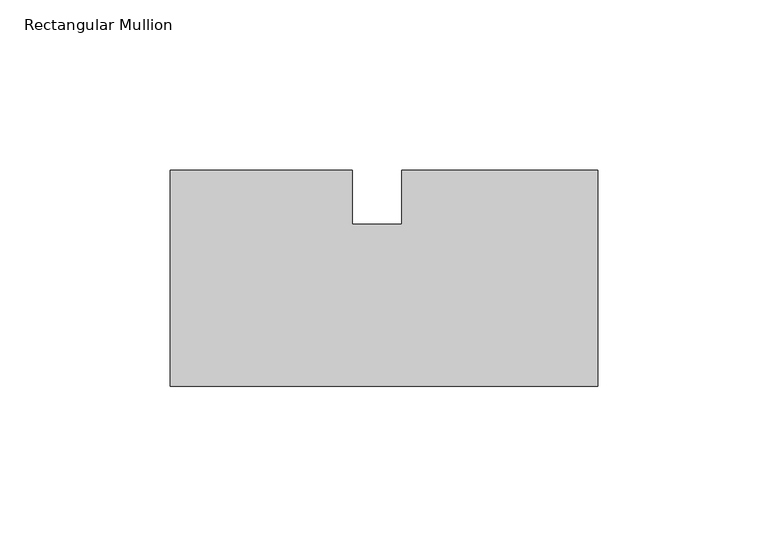
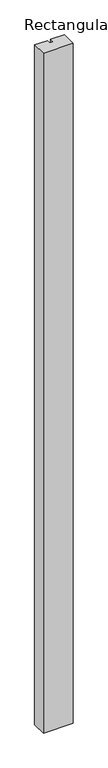
"""IFC4 building model written with IfcOpenShell, lengths in millimetres: member geometry, Rectangular Mullion."""

from ifc_helpers import new_model, si_unit, frame, origin, place, context, project, spatial, polyline, outline, extrude, source, transform, mapped, element, save


def rectangular_mullion_b5f6603f(model_context):
    return source(origin(), model_context, "Body", "SweptSolid", [
        extrude(outline(polyline([(0.0, -62.3573884), (-125.7922728, -62.3573884), (-125.7922728, 1.1426116), (-72.1855728, 1.1426116), (-72.1855728, -14.7378164), (-57.6896303, -14.7378164), (-57.6896303, 1.1371836), (0.0, 1.1371836), (0.0, -62.3573884)])), frame((0.0, 0.0, -3048.0), z_axis=(0.0, 0.0, 1.0), x_axis=(1.0, 0.0, 0.0)), (0.0, 0.0, 1.0), 3048.0),
    ])


if __name__ == "__main__":
    model = new_model("IFC4")
    model_context = context("Model", 3, world=origin())
    ifc_project = project(units=[si_unit("LENGTHUNIT", "METRE", prefix="MILLI")], contexts=[model_context])
    site = spatial("IfcSite", under=ifc_project)
    building = spatial("IfcBuilding", under=site)
    placement = place(None, origin())
    rectangular_mullion_shape = rectangular_mullion_b5f6603f(model_context)
    element("IfcMember", 1, ObjectType="Rectangular Mullion", at=placement, inside=building, context=model_context, shape_type="MappedRepresentation", body=[
        mapped(rectangular_mullion_shape, transform((0.0, 0.0, 0.0), x_axis=(1.0, 0.0, 0.0), y_axis=(0.0, 1.0, 0.0), z_axis=(0.0, 0.0, 1.0))),
    ])
    save(model, "model.ifc")
